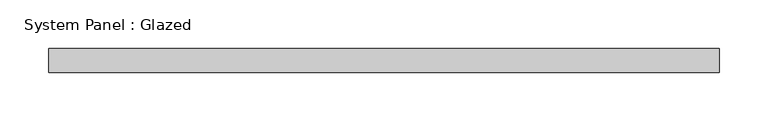
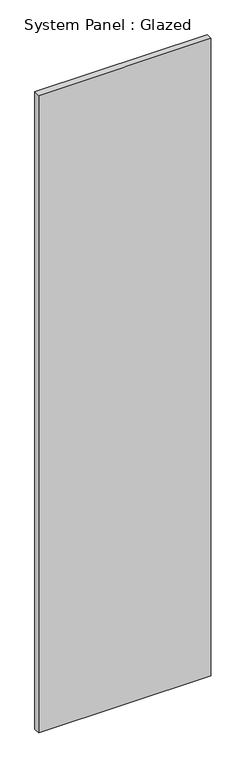
"""IFC4 building model written with IfcOpenShell, lengths in millimetres: plate geometry, System Panel : Glazed."""

from ifc_helpers import new_model, si_unit, origin, origin_with_axes, place, context, project, spatial, polyline, outline, extrude, source, transform, mapped, element, save


def system_panel_glazed_7c023207(model_context):
    return source(origin(), model_context, "Body", "SweptSolid", [
        extrude(outline(polyline([(344.8108115, 24.5), (-344.8108115, 24.5), (-344.8108115, 49.5), (344.8108115, 49.5), (344.8108115, 24.5)])), origin_with_axes(), (0.0, 0.0, 1.0), 2700.0),
    ])


if __name__ == "__main__":
    model = new_model("IFC4")
    model_context = context("Model", 3, world=origin())
    ifc_project = project(units=[si_unit("LENGTHUNIT", "METRE", prefix="MILLI")], contexts=[model_context])
    site = spatial("IfcSite", under=ifc_project)
    building = spatial("IfcBuilding", under=site)
    placement = place(None, origin())
    system_panel_glazed_shape = system_panel_glazed_7c023207(model_context)
    element("IfcPlate", 1, ObjectType="System Panel : Glazed", at=placement, inside=building, context=model_context, shape_type="MappedRepresentation", body=[
        mapped(system_panel_glazed_shape, transform((0.0, 0.0, 0.0), x_axis=(1.0, 0.0, 0.0), y_axis=(0.0, 1.0, 0.0), z_axis=(0.0, 0.0, 1.0))),
    ])
    save(model, "model.ifc")
